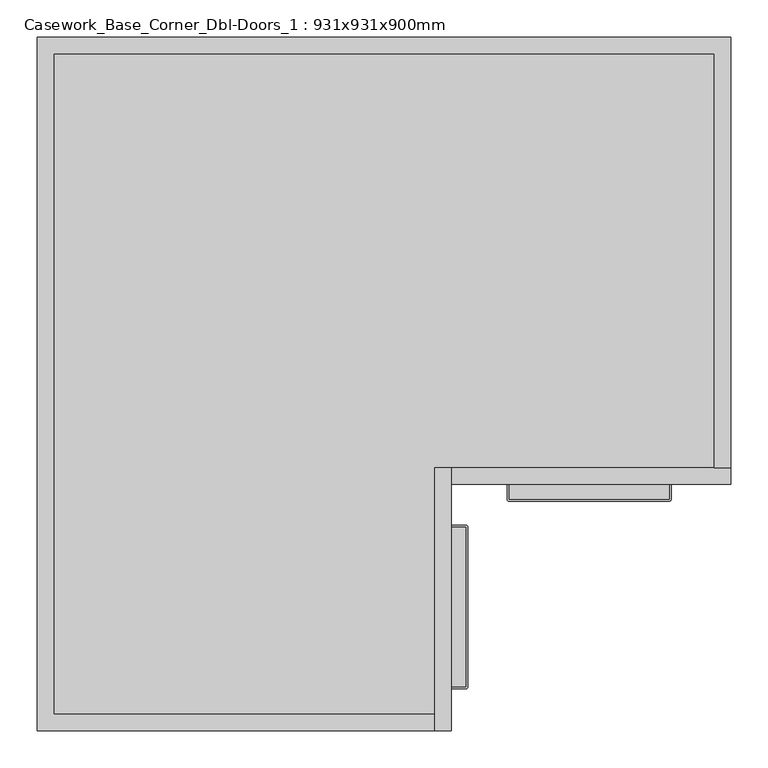
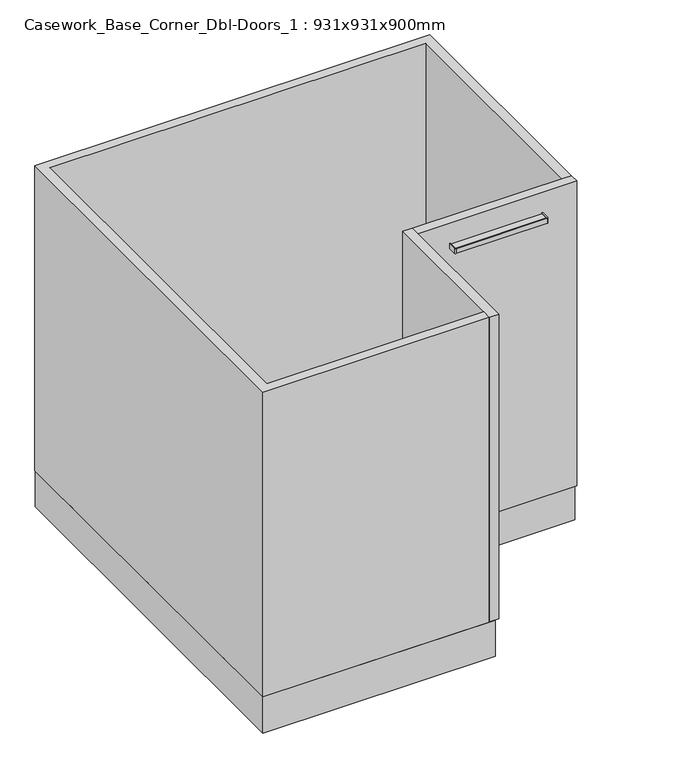
"""IFC4 building model written with IfcOpenShell, lengths in millimetres: furniture geometry, Casework_Base_Corner_Dbl-Doors_1 : 931x931x900mm."""

from ifc_helpers import new_model, si_unit, point, frame, frame_2d, origin, origin_with_axes, place, context, project, spatial, polyline, circle_curve, trimmed, segment, composite_curve, outline, extrude, source, transform, mapped, element, save


def casework_base_corner_dbl_doors_1_931x931x900mm_6280b1d8(model_context):
    return source(origin(), model_context, "Body", "SweptSolid", [
        extrude(outline(composite_curve([segment(polyline([(134.2003264, -873.0), (134.2003264, -657.0), (154.7003264, -657.0)]), True, "CONTINUOUS"), segment(trimmed(circle_curve(frame_2d((154.7003264, -657.5)), 0.5), [point((154.7003264, -657.0))], [point((155.2003264, -657.5))], False, "CARTESIAN"), True, "CONTINUOUS"), segment(polyline([(155.2003264, -657.5), (155.2003264, -872.5)]), True, "CONTINUOUS"), segment(trimmed(circle_curve(frame_2d((154.7003264, -872.5)), 0.5), [point((155.2003264, -872.5))], [point((154.7003264, -873.0))], False, "CARTESIAN"), True, "CONTINUOUS"), segment(polyline([(154.7003264, -873.0), (134.2003264, -873.0)]), True, "CONTINUOUS")], self_intersect=False)), frame((0.0, 0.0, 789.965389), z_axis=(0.0, 0.0, 1.0), x_axis=(1.0, 0.0, 0.0)), (0.0, 0.0, 1.0), 6.4890959),
        extrude(outline(composite_curve([segment(polyline([(134.2003264, -875.0), (134.2003264, -873.0), (154.7003264, -873.0)]), True, "CONTINUOUS"), segment(trimmed(circle_curve(frame_2d((154.7003264, -872.5)), 0.5), [point((154.7003264, -873.0))], [point((155.2003264, -872.5))], True, "CARTESIAN"), True, "CONTINUOUS"), segment(polyline([(155.2003264, -872.5), (155.2003264, -657.5)]), True, "CONTINUOUS"), segment(trimmed(circle_curve(frame_2d((154.7003264, -657.5)), 0.5), [point((155.2003264, -657.5))], [point((154.7003264, -657.0))], True, "CARTESIAN"), True, "CONTINUOUS"), segment(polyline([(154.7003264, -657.0), (134.2003264, -657.0), (134.2003264, -655.0), (154.7003264, -655.0)]), True, "CONTINUOUS"), segment(trimmed(circle_curve(frame_2d((154.7003264, -657.5)), 2.5), [point((154.7003264, -655.0))], [point((157.2003264, -657.5))], False, "CARTESIAN"), True, "CONTINUOUS"), segment(polyline([(157.2003264, -657.5), (157.2003264, -872.5)]), True, "CONTINUOUS"), segment(trimmed(circle_curve(frame_2d((154.7003264, -872.5)), 2.5), [point((157.2003264, -872.5))], [point((154.7003264, -875.0))], False, "CARTESIAN"), True, "CONTINUOUS"), segment(polyline([(154.7003264, -875.0), (134.2003264, -875.0)]), True, "CONTINUOUS")], self_intersect=False)), frame((0.0, 0.0, 787.2), z_axis=(0.0, 0.0, 1.0), x_axis=(1.0, 0.0, 0.0)), (0.0, 0.0, 1.0), 12.0),
        extrude(outline(composite_curve([segment(polyline([(212.2003264, -600.0), (428.2003264, -600.0), (428.2003264, -620.5)]), True, "CONTINUOUS"), segment(trimmed(circle_curve(frame_2d((427.7003264, -620.5)), 0.5), [point((428.2003264, -620.5))], [point((427.7003264, -621.0))], False, "CARTESIAN"), True, "CONTINUOUS"), segment(polyline([(427.7003264, -621.0), (212.7003264, -621.0)]), True, "CONTINUOUS"), segment(trimmed(circle_curve(frame_2d((212.7003264, -620.5)), 0.5), [point((212.7003264, -621.0))], [point((212.2003264, -620.5))], False, "CARTESIAN"), True, "CONTINUOUS"), segment(polyline([(212.2003264, -620.5), (212.2003264, -600.0)]), True, "CONTINUOUS")], self_intersect=False)), frame((0.0, 0.0, 789.965389), z_axis=(0.0, 0.0, 1.0), x_axis=(1.0, 0.0, 0.0)), (0.0, 0.0, 1.0), 6.4890959),
        extrude(outline(composite_curve([segment(polyline([(210.2003264, -600.0), (212.2003264, -600.0), (212.2003264, -620.5)]), True, "CONTINUOUS"), segment(trimmed(circle_curve(frame_2d((212.7003264, -620.5)), 0.5), [point((212.2003264, -620.5))], [point((212.7003264, -621.0))], True, "CARTESIAN"), True, "CONTINUOUS"), segment(polyline([(212.7003264, -621.0), (427.7003264, -621.0)]), True, "CONTINUOUS"), segment(trimmed(circle_curve(frame_2d((427.7003264, -620.5)), 0.5), [point((427.7003264, -621.0))], [point((428.2003264, -620.5))], True, "CARTESIAN"), True, "CONTINUOUS"), segment(polyline([(428.2003264, -620.5), (428.2003264, -600.0), (430.2003264, -600.0), (430.2003264, -620.5)]), True, "CONTINUOUS"), segment(trimmed(circle_curve(frame_2d((427.7003264, -620.5)), 2.5), [point((430.2003264, -620.5))], [point((427.7003264, -623.0))], False, "CARTESIAN"), True, "CONTINUOUS"), segment(polyline([(427.7003264, -623.0), (212.7003264, -623.0)]), True, "CONTINUOUS"), segment(trimmed(circle_curve(frame_2d((212.7003264, -620.5)), 2.5), [point((212.7003264, -623.0))], [point((210.2003264, -620.5))], False, "CARTESIAN"), True, "CONTINUOUS"), segment(polyline([(210.2003264, -620.5), (210.2003264, -600.0)]), True, "CONTINUOUS")], self_intersect=False)), frame((0.0, 0.0, 787.2), z_axis=(0.0, 0.0, 1.0), x_axis=(1.0, 0.0, 0.0)), (0.0, 0.0, 1.0), 12.0),
        extrude(outline(polyline([(510.2003264, 0.0), (510.2003264, -578.0), (488.2003264, -578.0), (488.2003264, -22.0), (-398.7996736, -22.0), (-398.7996736, -909.0), (112.2003264, -909.0), (112.2003264, -931.0), (-420.7996736, -931.0), (-420.7996736, 0.0), (510.2003264, 0.0)])), frame((0.0, 0.0, 90.0), z_axis=(0.0, 0.0, 1.0), x_axis=(1.0, 0.0, 0.0)), (0.0, 0.0, 1.0), 760.0),
        extrude(outline(polyline([(135.2003264, -931.0), (113.2003264, -931.0), (113.2003264, -578.0), (135.2003264, -578.0), (135.2003264, -931.0)])), frame((0.0, 0.0, 90.0), z_axis=(0.0, 0.0, 1.0), x_axis=(1.0, 0.0, 0.0)), (0.0, 0.0, 1.0), 760.0),
        extrude(outline(polyline([(510.2003264, -600.0), (135.2003264, -600.0), (135.2003264, -578.0), (510.2003264, -578.0), (510.2003264, -600.0)])), frame((0.0, 0.0, 90.0), z_axis=(0.0, 0.0, 1.0), x_axis=(1.0, 0.0, 0.0)), (0.0, 0.0, 1.0), 760.0),
        extrude(outline(polyline([(510.2003264, -0.533703), (510.2003264, -592.0), (127.2003264, -592.0), (127.2003264, -931.0), (-420.7996736, -931.0), (-420.7996736, -0.533703), (510.2003264, -0.533703)])), origin_with_axes(), (0.0, 0.0, 1.0), 90.0),
    ])


if __name__ == "__main__":
    model = new_model("IFC4")
    model_context = context("Model", 3, world=origin())
    ifc_project = project(units=[si_unit("LENGTHUNIT", "METRE", prefix="MILLI")], contexts=[model_context])
    site = spatial("IfcSite", under=ifc_project)
    building = spatial("IfcBuilding", under=site)
    placement = place(None, origin())
    casework_base_corner_dbl_doors_1_931x931x900mm_shape = casework_base_corner_dbl_doors_1_931x931x900mm_6280b1d8(model_context)
    element("IfcFurniture", 1, ObjectType="Casework_Base_Corner_Dbl-Doors_1 : 931x931x900mm", at=placement, inside=building, context=model_context, shape_type="MappedRepresentation", body=[
        mapped(casework_base_corner_dbl_doors_1_931x931x900mm_shape, transform((0.0, 0.0, 0.0), x_axis=(1.0, 0.0, 0.0), y_axis=(0.0, 1.0, 0.0), z_axis=(0.0, 0.0, 1.0))),
    ])
    save(model, "model.ifc")
